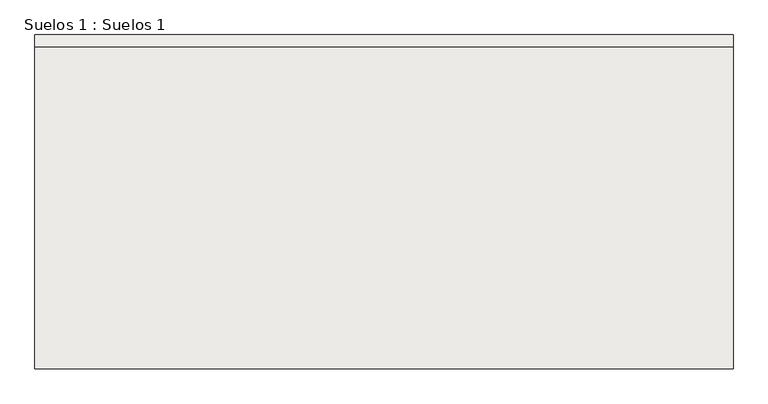
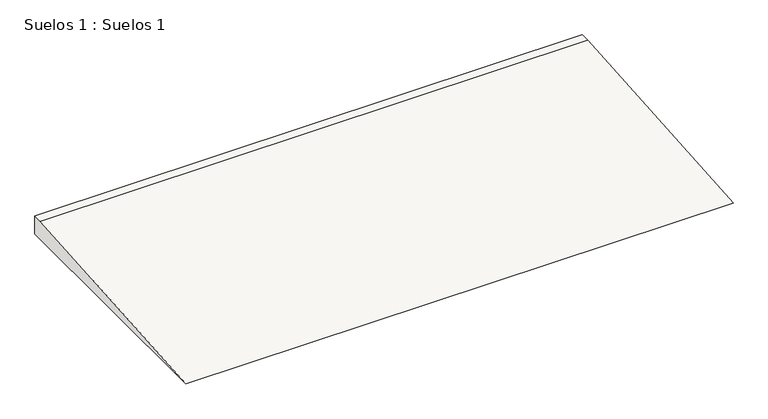
"""IFC4 building model written with IfcOpenShell, lengths in millimetres: slab geometry, Suelos 1 : Suelos 1."""

from ifc_helpers import new_model, si_unit, frame, origin, place, context, project, spatial, polyline, outline, extrude, source, transform, mapped, element, save


def suelos_1_suelos_1_0a7e343c(model_context):
    return source(origin(), model_context, "Body", "SweptSolid", [
        extrude(outline(polyline([(-4023.4514107, -300.0), (-108.8235294, 0.0), (41.1764706, 0.0), (41.1764706, -300.0), (-4023.4514107, -300.0)])), frame((45779.3852488, 0.0, 0.0), z_axis=(1.0, 0.0, 0.0), x_axis=(0.0, 1.0, 0.0)), (0.0, 0.0, 1.0), 8500.0),
    ])


if __name__ == "__main__":
    model = new_model("IFC4")
    model_context = context("Model", 3, world=origin())
    ifc_project = project(units=[si_unit("LENGTHUNIT", "METRE", prefix="MILLI")], contexts=[model_context])
    site = spatial("IfcSite", under=ifc_project)
    building = spatial("IfcBuilding", under=site)
    placement = place(None, origin())
    suelos_1_suelos_1_shape = suelos_1_suelos_1_0a7e343c(model_context)
    element("IfcSlab", 1, ObjectType="Suelos 1 : Suelos 1", at=placement, inside=building, context=model_context, shape_type="MappedRepresentation", body=[
        mapped(suelos_1_suelos_1_shape, transform((0.0, 0.0, 0.0), x_axis=(1.0, 0.0, 0.0), y_axis=(0.0, 1.0, 0.0), z_axis=(0.0, 0.0, 1.0))),
    ])
    save(model, "model.ifc")
